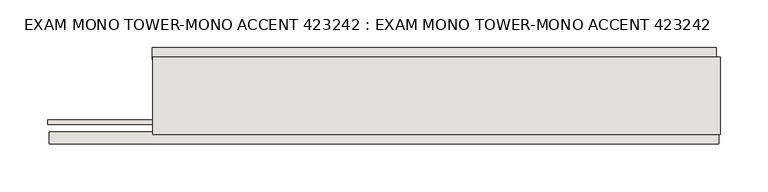
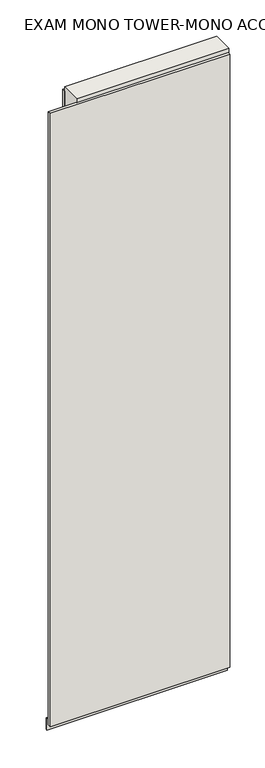
"""IFC4 building model written with IfcOpenShell, lengths in millimetres: wall geometry, EXAM MONO TOWER-MONO ACCENT 423242 : EXAM MONO TOWER-MONO ACCENT 423242."""

from ifc_helpers import new_model, si_unit, frame, origin, place, context, project, spatial, polyline, outline, extrude, source, transform, mapped, element, save


def exam_mono_tower_mono_accent_423242_exam_mono_tower_mono_5b860dad(model_context):
    return source(origin(), model_context, "Body", "SweptSolid", [
        extrude(outline(polyline([(73931.8668172, -43072.0636398), (73934.4068172, -43072.0636398), (73934.4068172, -43074.6036398), (73931.8668172, -43074.6036398), (73931.8668172, -43072.0636398)])), frame((0.0, 0.0, 4419.6), z_axis=(0.0, 0.0, 1.0), x_axis=(1.0, 0.0, 0.0)), (0.0, 0.0, 1.0), 2.54),
        extrude(outline(polyline([(73932.4060084, -43124.1336398), (73228.9060184, -43124.1336398), (73228.9060184, -43111.4336398), (73932.4060084, -43111.4336398), (73932.4060084, -43124.1336398)])), frame((0.0, 0.0, 4445.0), z_axis=(0.0, 0.0, 1.0), x_axis=(1.0, 0.0, 0.0)), (0.0, 0.0, 1.0), 2545.0498756),
        extrude(outline(polyline([(73337.0462136, -43022.5336398), (73929.9461708, -43022.5336398), (73929.9461708, -43035.2336398), (73337.0462136, -43035.2336398), (73337.0462136, -43022.5336398)])), frame((0.0, 0.0, 4445.0), z_axis=(0.0, 0.0, 1.0), x_axis=(1.0, 0.0, 0.0)), (0.0, 0.0, 1.0), 2545.0498756),
        extrude(outline(polyline([(73226.903965, -43098.4142856), (73934.3956666, -43098.4142856), (73934.3956666, -43103.4961398), (73226.903965, -43103.4961398), (73226.903965, -43098.4142856)])), frame((0.0, 0.0, 4418.6602), z_axis=(0.0, 0.0, 1.0), x_axis=(1.0, 0.0, 0.0)), (0.0, 0.0, 1.0), 47.625),
        extrude(outline(polyline([(73226.903965, -43098.4142856), (73934.3956666, -43098.4142856), (73934.3956666, -43103.4961398), (73226.903965, -43103.4961398), (73226.903965, -43098.4142856)])), frame((0.0, 0.0, 4418.6602), z_axis=(0.0, 0.0, 1.0), x_axis=(1.0, 0.0, 0.0)), (0.0, 0.0, 1.0), 47.625),
        extrude(outline(polyline([(73934.3956666, -43048.2498952), (73337.4956666, -43048.2498952), (73337.4956666, -43043.1711398), (73934.3956666, -43043.1711398), (73934.3956666, -43048.2498952)])), frame((0.0, 0.0, 4418.6602), z_axis=(0.0, 0.0, 1.0), x_axis=(1.0, 0.0, 0.0)), (0.0, 0.0, 1.0), 47.625),
        extrude(outline(polyline([(73934.3956666, -43048.2498952), (73337.4956666, -43048.2498952), (73337.4956666, -43043.1711398), (73934.3956666, -43043.1711398), (73934.3956666, -43048.2498952)])), frame((0.0, 0.0, 4418.6602), z_axis=(0.0, 0.0, 1.0), x_axis=(1.0, 0.0, 0.0)), (0.0, 0.0, 1.0), 47.625),
        extrude(outline(polyline([(73337.4956666, -43113.9854254), (73337.4956666, -43032.70667), (73934.3956666, -43032.70667), (73934.3956666, -43113.9854254), (73337.4956666, -43113.9854254)])), frame((0.0, 0.0, 4445.0), z_axis=(0.0, 0.0, 1.0), x_axis=(1.0, 0.0, 0.0)), (0.0, 0.0, 1.0), 2562.4536762),
    ])


if __name__ == "__main__":
    model = new_model("IFC4")
    model_context = context("Model", 3, world=origin())
    ifc_project = project(units=[si_unit("LENGTHUNIT", "METRE", prefix="MILLI")], contexts=[model_context])
    site = spatial("IfcSite", under=ifc_project)
    building = spatial("IfcBuilding", under=site)
    placement = place(None, origin())
    exam_mono_tower_mono_accent_423242_exam_mono_tower_mono_shape = exam_mono_tower_mono_accent_423242_exam_mono_tower_mono_5b860dad(model_context)
    element("IfcWall", 1, ObjectType="EXAM MONO TOWER-MONO ACCENT 423242 : EXAM MONO TOWER-MONO ACCENT 423242", at=placement, inside=building, context=model_context, shape_type="MappedRepresentation", body=[
        mapped(exam_mono_tower_mono_accent_423242_exam_mono_tower_mono_shape, transform((0.0, 0.0, 0.0), x_axis=(1.0, 0.0, 0.0), y_axis=(0.0, 1.0, 0.0), z_axis=(0.0, 0.0, 1.0))),
    ])
    save(model, "model.ifc")
